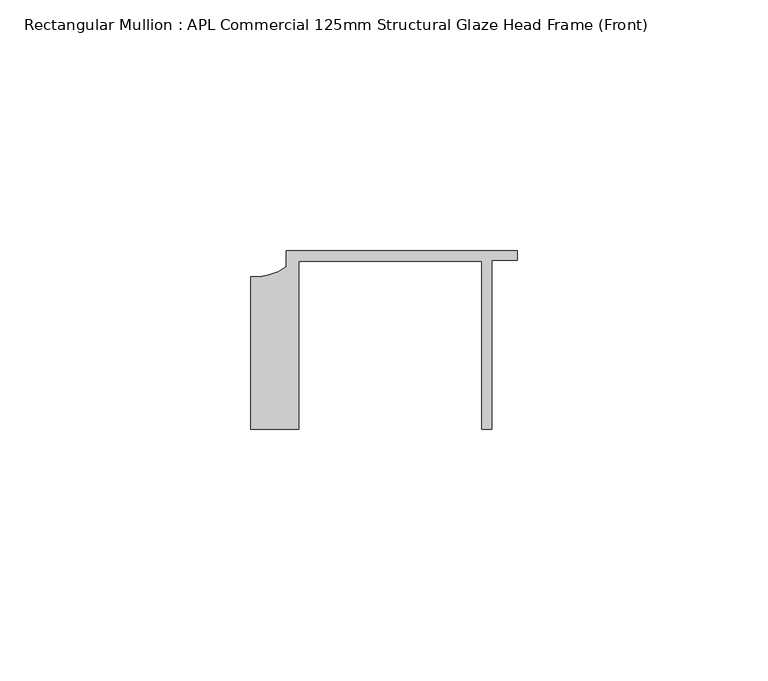
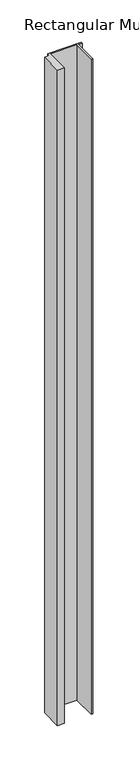
"""IFC4 building model written with IfcOpenShell, lengths in millimetres: member geometry, Rectangular Mullion : APL Commercial 125mm Structural Glaze Head Frame (Front)."""

from ifc_helpers import new_model, si_unit, point, frame, frame_2d, origin, place, context, project, spatial, polyline, circle_curve, trimmed, segment, composite_curve, outline, extrude, source, transform, mapped, element, save


def rectangular_mullion_apl_commercial_125mm_structural_glaze_8ff7f744(model_context):
    return source(origin(), model_context, "Body", "SweptSolid", [
        extrude(outline(composite_curve([segment(polyline([(-52.9999542, -15.0), (-52.9999542, 15.3798304)]), True, "CONTINUOUS"), segment(trimmed(circle_curve(frame_2d((-52.109817, 25.7982641)), 10.4563907), [point((-52.9999542, 15.3798304))], [point((-45.9999994, 17.3126154))], True, "CARTESIAN"), True, "CONTINUOUS"), segment(polyline([(-45.9999994, 17.3126154), (-45.9999994, 20.5002486), (0.0, 20.5002486), (0.0, 18.7002486), (-5.0, 18.7002486), (-5.0, -15.0), (-7.0, -15.0), (-7.0, 18.5002486), (-43.5000151, 18.5002486), (-43.5000151, -15.0), (-52.9999542, -15.0)]), True, "CONTINUOUS")], self_intersect=False)), frame((0.0, 0.0, -944.29642), z_axis=(0.0, 0.0, 1.0), x_axis=(1.0, 0.0, 0.0)), (0.0, 0.0, 1.0), 944.29642),
    ])


if __name__ == "__main__":
    model = new_model("IFC4")
    model_context = context("Model", 3, world=origin())
    ifc_project = project(units=[si_unit("LENGTHUNIT", "METRE", prefix="MILLI")], contexts=[model_context])
    site = spatial("IfcSite", under=ifc_project)
    building = spatial("IfcBuilding", under=site)
    placement = place(None, origin())
    rectangular_mullion_apl_commercial_125mm_structural_glaze_shape = rectangular_mullion_apl_commercial_125mm_structural_glaze_8ff7f744(model_context)
    element("IfcMember", 1, ObjectType="Rectangular Mullion : APL Commercial 125mm Structural Glaze Head Frame (Front)", at=placement, inside=building, context=model_context, shape_type="MappedRepresentation", body=[
        mapped(rectangular_mullion_apl_commercial_125mm_structural_glaze_shape, transform((0.0, 0.0, 0.0), x_axis=(1.0, 0.0, 0.0), y_axis=(0.0, 1.0, 0.0), z_axis=(0.0, 0.0, 1.0))),
    ])
    save(model, "model.ifc")
